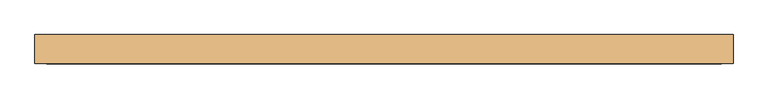
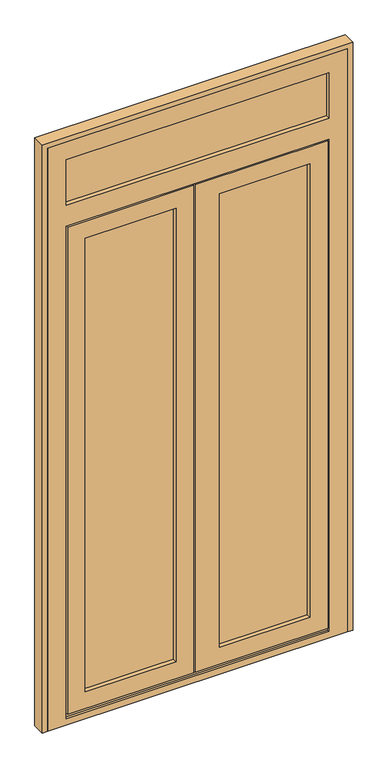
"""IFC4 building model written with IfcOpenShell, lengths in millimetres: door geometry."""

import ifcopenshell
import ifcopenshell.guid

model = None  # the IFC model being written
_history = None  # IfcOwnerHistory: only IFC2X3 demands one
_inside = {}  # id of a spatial element -> (the spatial element, [elements in it])
_under = {}  # id of a project, library or spatial element -> (it, [spatial elements below it])
_declared = {}  # id of a project -> (the project, [libraries it declares])
_typed = {}  # id of a type object -> (the type object, [elements of that type])
_made_of = {}  # id of a material, layer set ... -> (it, [elements and type objects made of it])


def new_model(schema):
    """Start an empty IFC model of exactly this schema.

    Asked for "IFC4X3", IfcOpenShell would pick the latest addendum, in which some entities
    have other attributes; the version numbers below select the first issue.
    IFC2X3 requires an IfcOwnerHistory on every rooted entity: one is made here for all.
    """
    global model, _history
    if schema == "IFC4X3":
        model = ifcopenshell.file(schema_version=(4, 3, 0, 0))
    else:
        model = ifcopenshell.file(schema=schema)
    _inside.clear()
    _under.clear()
    _declared.clear()
    _typed.clear()
    _made_of.clear()
    _history = None
    if model.schema == "IFC2X3":
        org = make("IfcOrganization", Name="unknown")
        user = make(
            "IfcPersonAndOrganization",
            ThePerson=make("IfcPerson", FamilyName="unknown"),
            TheOrganization=org,
        )
        app = make(
            "IfcApplication",
            ApplicationDeveloper=org,
            Version="unknown",
            ApplicationFullName="unknown",
            ApplicationIdentifier="unknown",
        )
        _history = make(
            "IfcOwnerHistory",
            OwningUser=user,
            OwningApplication=app,
            ChangeAction="ADDED",
            CreationDate=0,
        )
    return model


def make(cls, **values):
    """One entity of the class cls with the attributes given. An attribute that is None is left unset."""
    return model.create_entity(
        cls, **{name: value for name, value in values.items() if value is not None}
    )


def rooted(cls, **values):
    """An entity with a GlobalId (a new one), such as an element, a storey or a relation."""
    return make(cls, GlobalId=ifcopenshell.guid.new(), OwnerHistory=_history, **values)


def si_unit(unit_type, name, prefix=None):
    """IfcSIUnit, for example si_unit("LENGTHUNIT", "METRE", prefix="MILLI")."""
    return make("IfcSIUnit", UnitType=unit_type, Prefix=prefix, Name=name)


def assignment(units):
    """IfcUnitAssignment: the units of a project."""
    return None if units is None else make("IfcUnitAssignment", Units=units)


def point(xyz):
    """IfcCartesianPoint."""
    return None if xyz is None else make("IfcCartesianPoint", Coordinates=xyz)


def direction(xyz):
    """IfcDirection."""
    return None if xyz is None else make("IfcDirection", DirectionRatios=xyz)


def frame(location, z_axis=None, x_axis=None):
    """IfcAxis2Placement3D, a coordinate frame: its origin and axes. An axis left out is left unset."""
    return make(
        "IfcAxis2Placement3D",
        Location=point(location),
        Axis=direction(z_axis),
        RefDirection=direction(x_axis),
    )


def origin():
    """The frame at (0, 0, 0) with its axes left unset."""
    return frame((0.0, 0.0, 0.0))


def place(relative_to, where):
    """IfcLocalPlacement: puts the frame where relative to a parent placement (None: the world)."""
    return make(
        "IfcLocalPlacement", PlacementRelTo=relative_to, RelativePlacement=where
    )


def context(
    kind, dimensions, precision=None, world=None, true_north=None, identifier=None
):
    """IfcGeometricRepresentationContext, for example the 3D "Model" context."""
    return make(
        "IfcGeometricRepresentationContext",
        ContextIdentifier=identifier,
        ContextType=kind,
        CoordinateSpaceDimension=dimensions,
        Precision=precision,
        WorldCoordinateSystem=world,
        TrueNorth=true_north,
    )


def project(units=None, contexts=None):
    """IfcProject with its units and contexts."""
    return rooted(
        "IfcProject",
        Name="project",
        RepresentationContexts=contexts,
        UnitsInContext=assignment(units),
    )


def spatial(cls, under=None, at=None, **own):
    """A site, building, storey or space (cls), placed at a placement, below another one or the project."""
    s = rooted(cls, ObjectPlacement=at, **own)
    if under is not None:
        _under.setdefault(under.id(), (under, []))[1].append(s)
    return s


def polyline(points):
    """IfcPolyline through the points."""
    return make("IfcPolyline", Points=[point(p) for p in points])


def outline(outer, holes=None, kind="AREA"):
    """IfcArbitraryClosedProfileDef: a profile drawn as a closed curve; with holes, ...WithVoids."""
    if holes is None:
        return make("IfcArbitraryClosedProfileDef", ProfileType=kind, OuterCurve=outer)
    return make(
        "IfcArbitraryProfileDefWithVoids",
        ProfileType=kind,
        OuterCurve=outer,
        InnerCurves=holes,
    )


def extrude(swept, where, along, depth):
    """IfcExtrudedAreaSolid: the profile swept, set in the frame where, extruded along a direction by depth."""
    return make(
        "IfcExtrudedAreaSolid",
        SweptArea=swept,
        Position=where,
        ExtrudedDirection=direction(along),
        Depth=depth,
    )


def faces_of(points, faces, orient=None, outer=None):
    """IfcFace entities. A face is a list of loops; a loop is a list of indices into points, from 0.

    orient and outer hold one flag for each loop. By default every Orientation is true, the
    first loop of a face is its IfcFaceOuterBound and the others are IfcFaceBound.
    """
    made = []
    for i, loops in enumerate(faces):
        bounds = []
        for j, loop in enumerate(loops):
            is_outer = j == 0 if outer is None else outer[i][j]
            bounds.append(
                make(
                    "IfcFaceOuterBound" if is_outer else "IfcFaceBound",
                    Bound=make("IfcPolyLoop", Polygon=[points[k] for k in loop]),
                    Orientation=True if orient is None else orient[i][j],
                )
            )
        made.append(make("IfcFace", Bounds=bounds))
    return made


def faceted_brep(points, faces, orient=None, outer=None, voids=None):
    """IfcFacetedBrep: a solid bounded by flat faces; with voids (closed shells), ...WithVoids."""
    shared = [point(p) for p in points]
    hull = make("IfcClosedShell", CfsFaces=faces_of(shared, faces, orient, outer))
    if voids is None:
        return make("IfcFacetedBrep", Outer=hull)
    return make(
        "IfcFacetedBrepWithVoids",
        Outer=hull,
        Voids=[
            make(cls, CfsFaces=faces_of(shared, fs, o, b)) for cls, fs, o, b in voids
        ],
    )


def shape(context_of_items, identifier, shape_type, items):
    """IfcShapeRepresentation: the items that make up one representation, for example the "Body"."""
    return make(
        "IfcShapeRepresentation",
        ContextOfItems=context_of_items,
        RepresentationIdentifier=identifier,
        RepresentationType=shape_type,
        Items=items,
    )


def source(mapping_origin, context_of_items, identifier, shape_type, items):
    """IfcRepresentationMap: a shape defined once, which mapped items show again and again."""
    return make(
        "IfcRepresentationMap",
        MappingOrigin=mapping_origin,
        MappedRepresentation=shape(context_of_items, identifier, shape_type, items),
    )


def transform(
    local_origin,
    x_axis=None,
    y_axis=None,
    z_axis=None,
    scale=None,
    scale2=None,
    scale3=None,
    uniform=True,
):
    """IfcCartesianTransformationOperator3D, or its non-uniform kind. x_axis, y_axis, z_axis: its Axis1, 2, 3."""
    if uniform:
        return make(
            "IfcCartesianTransformationOperator3D",
            Axis1=direction(x_axis),
            Axis2=direction(y_axis),
            LocalOrigin=point(local_origin),
            Scale=scale,
            Axis3=direction(z_axis),
        )
    return make(
        "IfcCartesianTransformationOperator3DnonUniform",
        Axis1=direction(x_axis),
        Axis2=direction(y_axis),
        LocalOrigin=point(local_origin),
        Scale=scale,
        Axis3=direction(z_axis),
        Scale2=scale2,
        Scale3=scale3,
    )


def mapped(mapping_source, mapping_target):
    """IfcMappedItem: shows the shape of a source again, moved by a transform."""
    return make(
        "IfcMappedItem", MappingSource=mapping_source, MappingTarget=mapping_target
    )


def made_of(thing, what):
    """Note that an element or type object is made of a material, layer set ...; save() writes the relation."""
    if what is not None:
        _made_of.setdefault(what.id(), (what, []))[1].append(thing)
    return thing


def element(
    cls,
    number,
    at=None,
    inside=None,
    cuts=None,
    type_object=None,
    material=None,
    context=None,
    identifier="Body",
    shape_type=None,
    held_by="IfcProductDefinitionShape",
    body=None,
    shapes=None,
    **own,
):
    """One element of the class cls, such as IfcWall. Its Tag is "e" and its number.

    at: its placement. inside: the storey or other place that contains it. cuts: it is an
    opening in that element (IfcRelVoidsElement). A single representation is given by context,
    identifier, shape_type and body (its items); several are given by shapes. held_by: the class
    of the entity that holds the representations. save() writes the other relations.
    """
    e = rooted(cls, Tag="e%d" % number, ObjectPlacement=at, **own)
    if body is not None:
        shapes = [shape(context, identifier, shape_type, body)]
    if shapes is not None:
        e.Representation = make(held_by, Representations=shapes)
    if inside is not None:
        _inside.setdefault(inside.id(), (inside, []))[1].append(e)
    if cuts is not None:
        rooted(
            "IfcRelVoidsElement", RelatingBuildingElement=cuts, RelatedOpeningElement=e
        )
    if type_object is not None:
        _typed.setdefault(type_object.id(), (type_object, []))[1].append(e)
    return made_of(e, material)


def aggregate(whole, parts):
    """IfcRelAggregates: a whole, such as a stair, and the parts it consists of."""
    return rooted("IfcRelAggregates", RelatingObject=whole, RelatedObjects=parts)


def save(model, path):
    """Write the relations noted so far, then the file.

    IfcRelAggregates (storeys below a building ...), IfcRelContainedInSpatialStructure (elements
    in a storey), IfcRelDefinesByType, IfcRelAssociatesMaterial and IfcRelDeclares: one each for
    every whole, place, type object, material and project.
    """
    for whole, parts in _under.values():
        aggregate(whole, parts)
    for where, things in _inside.values():
        rooted(
            "IfcRelContainedInSpatialStructure",
            RelatedElements=things,
            RelatingStructure=where,
        )
    for kind, things in _typed.values():
        rooted("IfcRelDefinesByType", RelatedObjects=things, RelatingType=kind)
    for what, things in _made_of.values():
        rooted("IfcRelAssociatesMaterial", RelatedObjects=things, RelatingMaterial=what)
    for by, libraries in _declared.values():
        rooted("IfcRelDeclares", RelatingContext=by, RelatedDefinitions=libraries)
    model.write(path)


def door_178ef887(model_context):
    return source(origin(), model_context, "Body", "SolidModel", [
        extrude(outline(polyline([(59.0, 67.0), (-327.0, 67.0), (-327.0, 91.0), (59.0, 91.0), (59.0, 67.0)])), frame((0.0, 0.0, 93.0), z_axis=(0.0, 0.0, 1.0), x_axis=(1.0, 0.0, 0.0)), (0.0, 0.0, 1.0), 1888.0),
        extrude(outline(polyline([(577.0, 67.0), (191.0, 67.0), (191.0, 91.0), (577.0, 91.0), (577.0, 67.0)])), frame((0.0, 0.0, 93.0), z_axis=(0.0, 0.0, 1.0), x_axis=(1.0, 0.0, 0.0)), (0.0, 0.0, 1.0), 1888.0),
        extrude(outline(polyline([(651.0, 67.0), (-401.0, 67.0), (-401.0, 91.0), (651.0, 91.0), (651.0, 67.0)])), frame((0.0, 0.0, 2105.0), z_axis=(0.0, 0.0, 1.0), x_axis=(1.0, 0.0, 0.0)), (0.0, 0.0, 1.0), 221.0),
        faceted_brep([(-403.0, 91.0, 17.0), (-403.0, 100.0, 17.0), (135.0, 100.0, 17.0), (135.0, 91.0, 17.0), (-383.0, 91.0, 17.0), (-383.0, 59.0, 17.0), (-393.0, 59.0, 17.0), (-393.0, 91.0, 17.0), (653.0, 91.0, 17.0), (643.0, 91.0, 17.0), (643.0, 59.0, 17.0), (633.0, 59.0, 17.0), (633.0, 91.0, 17.0), (140.0, 91.0, 17.0), (140.0, 100.0, 17.0), (653.0, 100.0, 17.0), (-403.0, 91.0, 2057.0), (-403.0, 100.0, 2057.0), (135.0, 100.0, 2057.0), (-309.0, 100.0, 1963.0), (-309.0, 100.0, 111.0), (41.0, 100.0, 111.0), (41.0, 100.0, 1963.0), (653.0, 100.0, 2057.0), (140.0, 100.0, 2057.0), (559.0, 100.0, 111.0), (559.0, 100.0, 1963.0), (209.0, 100.0, 1963.0), (209.0, 100.0, 111.0), (-309.0, 91.0, 1963.0), (-309.0, 91.0, 111.0), (-327.0, 91.0, 1981.0), (-327.0, 91.0, 93.0), (59.0, 91.0, 93.0), (59.0, 91.0, 1981.0), (41.0, 91.0, 1963.0), (41.0, 91.0, 111.0), (577.0, 91.0, 93.0), (577.0, 91.0, 1981.0), (191.0, 91.0, 1981.0), (191.0, 91.0, 93.0), (559.0, 91.0, 1963.0), (559.0, 91.0, 111.0), (209.0, 91.0, 111.0), (209.0, 91.0, 1963.0), (633.0, 91.0, 27.0), (140.0, 91.0, 27.0), (-383.0, 91.0, 27.0), (135.0, 91.0, 27.0), (-327.0, 67.0, 1981.0), (-327.0, 67.0, 93.0), (59.0, 67.0, 1981.0), (59.0, 67.0, 93.0), (-309.0, 67.0, 1963.0), (-309.0, 67.0, 111.0), (41.0, 67.0, 111.0), (41.0, 67.0, 1963.0), (577.0, 67.0, 1981.0), (577.0, 67.0, 93.0), (191.0, 67.0, 93.0), (191.0, 67.0, 1981.0), (559.0, 67.0, 111.0), (559.0, 67.0, 1963.0), (209.0, 67.0, 1963.0), (209.0, 67.0, 111.0), (-309.0, 50.0, 1963.0), (-309.0, 50.0, 111.0), (-378.0, 50.0, 2032.0), (-378.0, 50.0, 42.0), (110.0, 50.0, 42.0), (110.0, 50.0, 2032.0), (41.0, 50.0, 1963.0), (41.0, 50.0, 111.0), (628.0, 50.0, 42.0), (628.0, 50.0, 2032.0), (115.0, 50.0, 2032.0), (115.0, 50.0, 42.0), (559.0, 50.0, 1963.0), (559.0, 50.0, 111.0), (209.0, 50.0, 111.0), (209.0, 50.0, 1963.0), (-378.0, 59.0, 2032.0), (-378.0, 59.0, 42.0), (643.0, 59.0, 2047.0), (-393.0, 59.0, 2047.0), (-383.0, 59.0, 27.0), (633.0, 59.0, 27.0), (628.0, 59.0, 2032.0), (628.0, 59.0, 42.0), (115.0, 59.0, 42.0), (115.0, 59.0, 2032.0), (110.0, 59.0, 42.0), (110.0, 59.0, 2032.0), (-393.0, 91.0, 2047.0), (135.0, 91.0, 2047.0), (135.0, 91.0, 2057.0), (643.0, 91.0, 2047.0), (653.0, 91.0, 2057.0), (140.0, 91.0, 2057.0), (140.0, 91.0, 2047.0)], [[[0, 1, 2, 3, 4, 5, 6, 7]], [[8, 9, 10, 11, 12, 13, 14, 15]], [[1, 0, 16, 17]], [[1, 17, 18, 2], [19, 20, 21, 22]], [[23, 15, 14, 24], [25, 26, 27, 28]], [[19, 29, 30, 20]], [[31, 32, 33, 34], [30, 29, 35, 36]], [[37, 38, 39, 40], [41, 42, 43, 44]], [[12, 45, 46, 13]], [[47, 4, 3, 48]], [[31, 49, 50, 32]], [[50, 49, 51, 52], [53, 54, 55, 56]], [[57, 58, 59, 60], [61, 62, 63, 64]], [[53, 65, 66, 54]], [[67, 68, 69, 70], [66, 65, 71, 72]], [[73, 74, 75, 76], [77, 78, 79, 80]], [[67, 81, 82, 68]], [[10, 83, 84, 6, 5, 85, 86, 11], [87, 88, 89, 90], [91, 82, 81, 92]], [[7, 6, 84, 93]], [[0, 7, 93, 94, 95, 16]], [[96, 9, 8, 97, 98, 99]], [[17, 16, 95, 18]], [[97, 23, 24, 98]], [[29, 19, 22, 35]], [[26, 41, 44, 27]], [[49, 31, 34, 51]], [[38, 57, 60, 39]], [[65, 53, 56, 71]], [[62, 77, 80, 63]], [[81, 67, 70, 92]], [[74, 87, 90, 75]], [[93, 84, 83, 96, 99, 94]], [[15, 23, 97, 8]], [[41, 26, 25, 42]], [[57, 38, 37, 58]], [[77, 62, 61, 78]], [[87, 74, 73, 88]], [[83, 10, 9, 96]], [[20, 30, 36, 21]], [[42, 25, 28, 43]], [[32, 50, 52, 33]], [[58, 37, 40, 59]], [[54, 66, 72, 55]], [[78, 61, 64, 79]], [[86, 45, 12, 11]], [[47, 85, 5, 4]], [[45, 86, 85, 47, 48, 46]], [[68, 82, 91, 69]], [[88, 73, 76, 89]], [[75, 90, 89, 76]], [[80, 79, 64, 63]], [[39, 60, 59, 40]], [[44, 43, 28, 27]], [[14, 13, 46, 99, 98, 24]], [[94, 99, 46, 48]], [[3, 2, 18, 95, 94, 48]], [[36, 35, 22, 21]], [[51, 34, 33, 52]], [[72, 71, 56, 55]], [[69, 91, 92, 70]]]),
        faceted_brep([(-455.0, 100.0, 2380.0), (705.0, 100.0, 2380.0), (705.0, 100.0, 0.0), (-455.0, 100.0, 0.0), (-408.0, 100.0, 2062.0), (-408.0, 100.0, 9.0), (658.0, 100.0, 9.0), (658.0, 100.0, 2062.0), (633.0, 100.0, 2308.0), (-383.0, 100.0, 2308.0), (-383.0, 100.0, 2123.0), (633.0, 100.0, 2123.0), (-383.0, 91.0, 2308.0), (-383.0, 91.0, 2123.0), (651.0, 91.0, 2326.0), (-401.0, 91.0, 2326.0), (-401.0, 91.0, 2105.0), (651.0, 91.0, 2105.0), (633.0, 91.0, 2308.0), (633.0, 91.0, 2123.0), (-401.0, 67.0, 2326.0), (-401.0, 67.0, 2105.0), (651.0, 67.0, 2326.0), (651.0, 67.0, 2105.0), (633.0, 67.0, 2308.0), (-383.0, 67.0, 2308.0), (-383.0, 67.0, 2123.0), (633.0, 67.0, 2123.0), (-383.0, 50.0, 2308.0), (-383.0, 50.0, 2123.0), (705.0, 50.0, 2380.0), (-455.0, 50.0, 2380.0), (-455.0, 50.0, 0.0), (705.0, 50.0, 0.0), (633.0, 50.0, 2308.0), (633.0, 50.0, 2123.0), (633.0, 50.0, 2037.0), (633.0, 50.0, 27.0), (-383.0, 50.0, 27.0), (-383.0, 50.0, 2037.0), (-408.0, 91.0, 9.0), (658.0, 91.0, 9.0), (-408.0, 91.0, 2062.0), (658.0, 91.0, 2062.0), (643.0, 91.0, 27.0), (643.0, 91.0, 2047.0), (-393.0, 91.0, 2047.0), (-393.0, 91.0, 27.0), (-393.0, 59.0, 27.0), (-383.0, 59.0, 27.0), (633.0, 59.0, 27.0), (643.0, 59.0, 27.0), (643.0, 59.0, 2047.0), (-393.0, 59.0, 2047.0), (633.0, 59.0, 2037.0), (-383.0, 59.0, 2037.0)], [[[0, 1, 2, 3], [4, 5, 6, 7], [8, 9, 10, 11]], [[9, 12, 13, 10]], [[14, 15, 16, 17], [12, 18, 19, 13]], [[15, 20, 21, 16]], [[20, 22, 23, 21], [24, 25, 26, 27]], [[25, 28, 29, 26]], [[30, 31, 32, 33], [29, 28, 34, 35], [36, 37, 38, 39]], [[32, 31, 0, 3]], [[9, 8, 18, 12]], [[15, 14, 22, 20]], [[25, 24, 34, 28]], [[1, 0, 31, 30]], [[18, 8, 11, 19]], [[22, 14, 17, 23]], [[34, 24, 27, 35]], [[2, 1, 30, 33]], [[6, 5, 40, 41]], [[40, 42, 43, 41], [44, 45, 46, 47]], [[44, 47, 48, 49, 38, 37, 50, 51]], [[3, 2, 33, 32]], [[13, 19, 11, 10]], [[4, 7, 43, 42]], [[46, 45, 52, 53]], [[51, 50, 54, 55, 49, 48, 53, 52]], [[36, 39, 55, 54]], [[29, 35, 27, 26]], [[16, 21, 23, 17]], [[39, 38, 49, 55]], [[47, 46, 53, 48]], [[5, 4, 42, 40]], [[7, 6, 41, 43]], [[45, 44, 51, 52]], [[37, 36, 54, 50]]]),
        extrude(outline(polyline([(2400.0, -475.0), (0.0, -475.0), (0.0, -455.0), (2380.0, -455.0), (2380.0, 705.0), (0.0, 705.0), (0.0, 725.0), (2400.0, 725.0), (2400.0, -475.0)])), frame((0.0, 50.0, 0.0), z_axis=(0.0, 1.0, 0.0), x_axis=(0.0, 0.0, 1.0)), (0.0, 0.0, 1.0), 50.0),
    ])


if __name__ == "__main__":
    model = new_model("IFC4")
    model_context = context("Model", 3, world=origin())
    ifc_project = project(units=[si_unit("LENGTHUNIT", "METRE", prefix="MILLI")], contexts=[model_context])
    site = spatial("IfcSite", under=ifc_project)
    building = spatial("IfcBuilding", under=site)
    placement = place(None, origin())
    door_shape = door_178ef887(model_context)
    element("IfcDoor", 1, at=placement, inside=building, context=model_context, shape_type="MappedRepresentation", body=[
        mapped(door_shape, transform((0.0, 0.0, 0.0), x_axis=(1.0, 0.0, 0.0), y_axis=(0.0, 1.0, 0.0), z_axis=(0.0, 0.0, 1.0))),
    ])
    save(model, "model.ifc")
